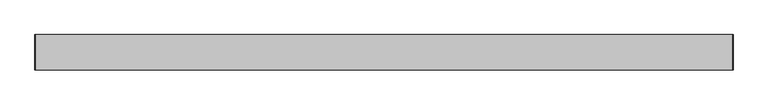
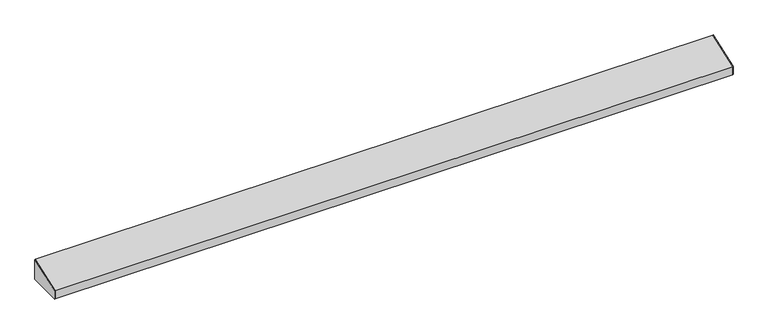
"""IFC4 building model written with IfcOpenShell, lengths in millimetres: furniture geometry."""

import ifcopenshell
import ifcopenshell.guid

model = None  # the IFC model being written
_history = None  # IfcOwnerHistory: only IFC2X3 demands one
_inside = {}  # id of a spatial element -> (the spatial element, [elements in it])
_under = {}  # id of a project, library or spatial element -> (it, [spatial elements below it])
_declared = {}  # id of a project -> (the project, [libraries it declares])
_typed = {}  # id of a type object -> (the type object, [elements of that type])
_made_of = {}  # id of a material, layer set ... -> (it, [elements and type objects made of it])


def new_model(schema):
    """Start an empty IFC model of exactly this schema.

    Asked for "IFC4X3", IfcOpenShell would pick the latest addendum, in which some entities
    have other attributes; the version numbers below select the first issue.
    IFC2X3 requires an IfcOwnerHistory on every rooted entity: one is made here for all.
    """
    global model, _history
    if schema == "IFC4X3":
        model = ifcopenshell.file(schema_version=(4, 3, 0, 0))
    else:
        model = ifcopenshell.file(schema=schema)
    _inside.clear()
    _under.clear()
    _declared.clear()
    _typed.clear()
    _made_of.clear()
    _history = None
    if model.schema == "IFC2X3":
        org = make("IfcOrganization", Name="unknown")
        user = make(
            "IfcPersonAndOrganization",
            ThePerson=make("IfcPerson", FamilyName="unknown"),
            TheOrganization=org,
        )
        app = make(
            "IfcApplication",
            ApplicationDeveloper=org,
            Version="unknown",
            ApplicationFullName="unknown",
            ApplicationIdentifier="unknown",
        )
        _history = make(
            "IfcOwnerHistory",
            OwningUser=user,
            OwningApplication=app,
            ChangeAction="ADDED",
            CreationDate=0,
        )
    return model


def make(cls, **values):
    """One entity of the class cls with the attributes given. An attribute that is None is left unset."""
    return model.create_entity(
        cls, **{name: value for name, value in values.items() if value is not None}
    )


def rooted(cls, **values):
    """An entity with a GlobalId (a new one), such as an element, a storey or a relation."""
    return make(cls, GlobalId=ifcopenshell.guid.new(), OwnerHistory=_history, **values)


def si_unit(unit_type, name, prefix=None):
    """IfcSIUnit, for example si_unit("LENGTHUNIT", "METRE", prefix="MILLI")."""
    return make("IfcSIUnit", UnitType=unit_type, Prefix=prefix, Name=name)


def assignment(units):
    """IfcUnitAssignment: the units of a project."""
    return None if units is None else make("IfcUnitAssignment", Units=units)


def point(xyz):
    """IfcCartesianPoint."""
    return None if xyz is None else make("IfcCartesianPoint", Coordinates=xyz)


def direction(xyz):
    """IfcDirection."""
    return None if xyz is None else make("IfcDirection", DirectionRatios=xyz)


def frame(location, z_axis=None, x_axis=None):
    """IfcAxis2Placement3D, a coordinate frame: its origin and axes. An axis left out is left unset."""
    return make(
        "IfcAxis2Placement3D",
        Location=point(location),
        Axis=direction(z_axis),
        RefDirection=direction(x_axis),
    )


def origin():
    """The frame at (0, 0, 0) with its axes left unset."""
    return frame((0.0, 0.0, 0.0))


def place(relative_to, where):
    """IfcLocalPlacement: puts the frame where relative to a parent placement (None: the world)."""
    return make(
        "IfcLocalPlacement", PlacementRelTo=relative_to, RelativePlacement=where
    )


def context(
    kind, dimensions, precision=None, world=None, true_north=None, identifier=None
):
    """IfcGeometricRepresentationContext, for example the 3D "Model" context."""
    return make(
        "IfcGeometricRepresentationContext",
        ContextIdentifier=identifier,
        ContextType=kind,
        CoordinateSpaceDimension=dimensions,
        Precision=precision,
        WorldCoordinateSystem=world,
        TrueNorth=true_north,
    )


def project(units=None, contexts=None):
    """IfcProject with its units and contexts."""
    return rooted(
        "IfcProject",
        Name="project",
        RepresentationContexts=contexts,
        UnitsInContext=assignment(units),
    )


def spatial(cls, under=None, at=None, **own):
    """A site, building, storey or space (cls), placed at a placement, below another one or the project."""
    s = rooted(cls, ObjectPlacement=at, **own)
    if under is not None:
        _under.setdefault(under.id(), (under, []))[1].append(s)
    return s


def polyline(points):
    """IfcPolyline through the points."""
    return make("IfcPolyline", Points=[point(p) for p in points])


def outline(outer, holes=None, kind="AREA"):
    """IfcArbitraryClosedProfileDef: a profile drawn as a closed curve; with holes, ...WithVoids."""
    if holes is None:
        return make("IfcArbitraryClosedProfileDef", ProfileType=kind, OuterCurve=outer)
    return make(
        "IfcArbitraryProfileDefWithVoids",
        ProfileType=kind,
        OuterCurve=outer,
        InnerCurves=holes,
    )


def extrude(swept, where, along, depth):
    """IfcExtrudedAreaSolid: the profile swept, set in the frame where, extruded along a direction by depth."""
    return make(
        "IfcExtrudedAreaSolid",
        SweptArea=swept,
        Position=where,
        ExtrudedDirection=direction(along),
        Depth=depth,
    )


def shape(context_of_items, identifier, shape_type, items):
    """IfcShapeRepresentation: the items that make up one representation, for example the "Body"."""
    return make(
        "IfcShapeRepresentation",
        ContextOfItems=context_of_items,
        RepresentationIdentifier=identifier,
        RepresentationType=shape_type,
        Items=items,
    )


def source(mapping_origin, context_of_items, identifier, shape_type, items):
    """IfcRepresentationMap: a shape defined once, which mapped items show again and again."""
    return make(
        "IfcRepresentationMap",
        MappingOrigin=mapping_origin,
        MappedRepresentation=shape(context_of_items, identifier, shape_type, items),
    )


def transform(
    local_origin,
    x_axis=None,
    y_axis=None,
    z_axis=None,
    scale=None,
    scale2=None,
    scale3=None,
    uniform=True,
):
    """IfcCartesianTransformationOperator3D, or its non-uniform kind. x_axis, y_axis, z_axis: its Axis1, 2, 3."""
    if uniform:
        return make(
            "IfcCartesianTransformationOperator3D",
            Axis1=direction(x_axis),
            Axis2=direction(y_axis),
            LocalOrigin=point(local_origin),
            Scale=scale,
            Axis3=direction(z_axis),
        )
    return make(
        "IfcCartesianTransformationOperator3DnonUniform",
        Axis1=direction(x_axis),
        Axis2=direction(y_axis),
        LocalOrigin=point(local_origin),
        Scale=scale,
        Axis3=direction(z_axis),
        Scale2=scale2,
        Scale3=scale3,
    )


def mapped(mapping_source, mapping_target):
    """IfcMappedItem: shows the shape of a source again, moved by a transform."""
    return make(
        "IfcMappedItem", MappingSource=mapping_source, MappingTarget=mapping_target
    )


def made_of(thing, what):
    """Note that an element or type object is made of a material, layer set ...; save() writes the relation."""
    if what is not None:
        _made_of.setdefault(what.id(), (what, []))[1].append(thing)
    return thing


def element(
    cls,
    number,
    at=None,
    inside=None,
    cuts=None,
    type_object=None,
    material=None,
    context=None,
    identifier="Body",
    shape_type=None,
    held_by="IfcProductDefinitionShape",
    body=None,
    shapes=None,
    **own,
):
    """One element of the class cls, such as IfcWall. Its Tag is "e" and its number.

    at: its placement. inside: the storey or other place that contains it. cuts: it is an
    opening in that element (IfcRelVoidsElement). A single representation is given by context,
    identifier, shape_type and body (its items); several are given by shapes. held_by: the class
    of the entity that holds the representations. save() writes the other relations.
    """
    e = rooted(cls, Tag="e%d" % number, ObjectPlacement=at, **own)
    if body is not None:
        shapes = [shape(context, identifier, shape_type, body)]
    if shapes is not None:
        e.Representation = make(held_by, Representations=shapes)
    if inside is not None:
        _inside.setdefault(inside.id(), (inside, []))[1].append(e)
    if cuts is not None:
        rooted(
            "IfcRelVoidsElement", RelatingBuildingElement=cuts, RelatedOpeningElement=e
        )
    if type_object is not None:
        _typed.setdefault(type_object.id(), (type_object, []))[1].append(e)
    return made_of(e, material)


def aggregate(whole, parts):
    """IfcRelAggregates: a whole, such as a stair, and the parts it consists of."""
    return rooted("IfcRelAggregates", RelatingObject=whole, RelatedObjects=parts)


def save(model, path):
    """Write the relations noted so far, then the file.

    IfcRelAggregates (storeys below a building ...), IfcRelContainedInSpatialStructure (elements
    in a storey), IfcRelDefinesByType, IfcRelAssociatesMaterial and IfcRelDeclares: one each for
    every whole, place, type object, material and project.
    """
    for whole, parts in _under.values():
        aggregate(whole, parts)
    for where, things in _inside.values():
        rooted(
            "IfcRelContainedInSpatialStructure",
            RelatedElements=things,
            RelatingStructure=where,
        )
    for kind, things in _typed.values():
        rooted("IfcRelDefinesByType", RelatedObjects=things, RelatingType=kind)
    for what, things in _made_of.values():
        rooted("IfcRelAssociatesMaterial", RelatedObjects=things, RelatingMaterial=what)
    for by, libraries in _declared.values():
        rooted("IfcRelDeclares", RelatingContext=by, RelatedDefinitions=libraries)
    model.write(path)


def furniture_9b0b5d2d(model_context):
    return source(origin(), model_context, "Body", "SweptSolid", [
        extrude(outline(polyline([(-97.4564663, 2121.3134966), (-21.2564662, 2148.5698075), (-21.2564662, 2102.5323075), (-97.4564662, 2102.5323075), (-97.4564663, 2121.3134966)])), frame((766.4502049, 0.0, 0.0), z_axis=(1.0, 0.0, 0.0), x_axis=(0.0, 1.0, 0.0)), (0.0, 0.0, 1.0), 0.79375),
        extrude(outline(polyline([(-21.2564662, 2102.5323075), (-97.4564662, 2102.5323075), (-97.4564662, 2121.3134966), (-21.2564662, 2148.5698075), (-21.2564662, 2102.5323075)])), frame((-729.7685451, 0.0, 0.0), z_axis=(1.0, 0.0, 0.0), x_axis=(0.0, 1.0, 0.0)), (0.0, 0.0, 1.0), 0.79375),
        extrude(outline(polyline([(-21.2564662, 2102.5323075), (-33.9564662, 2102.5323075), (-33.9564662, 2103.3260575), (-22.0502162, 2103.3260575), (-22.0502162, 2147.4871561), (-96.6627162, 2120.808648), (-96.6627162, 2103.3260575), (-84.7564662, 2103.3260575), (-84.7564662, 2102.5323075), (-97.4564662, 2102.5323075), (-97.4564662, 2121.3134966), (-21.2564662, 2148.5698075), (-21.2564662, 2102.5323075)])), frame((-728.9747951, 0.0, 0.0), z_axis=(1.0, 0.0, 0.0), x_axis=(0.0, 1.0, 0.0)), (0.0, 0.0, 1.0), 1495.425),
    ])


if __name__ == "__main__":
    model = new_model("IFC4")
    model_context = context("Model", 3, world=origin())
    ifc_project = project(units=[si_unit("LENGTHUNIT", "METRE", prefix="MILLI")], contexts=[model_context])
    site = spatial("IfcSite", under=ifc_project)
    building = spatial("IfcBuilding", under=site)
    placement = place(None, origin())
    furniture_shape = furniture_9b0b5d2d(model_context)
    element("IfcFurniture", 1, at=placement, inside=building, context=model_context, shape_type="MappedRepresentation", body=[
        mapped(furniture_shape, transform((0.0, 0.0, 0.0), x_axis=(1.0, 0.0, 0.0), y_axis=(0.0, 1.0, 0.0), z_axis=(0.0, 0.0, 1.0))),
    ])
    save(model, "model.ifc")
